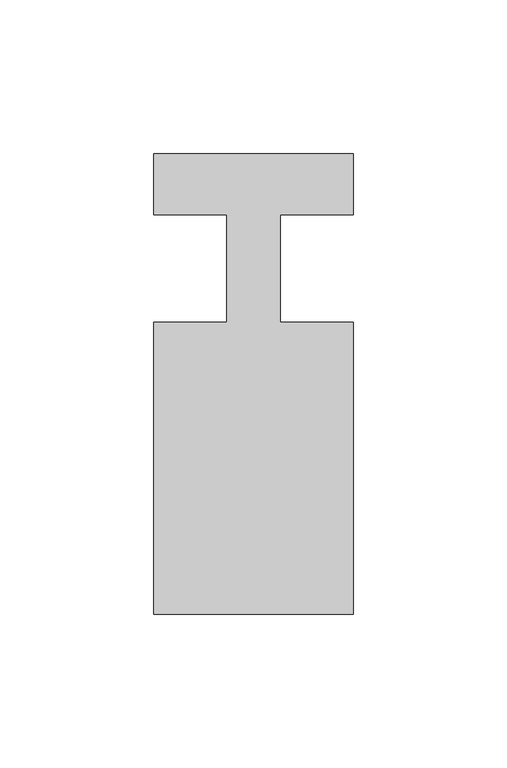
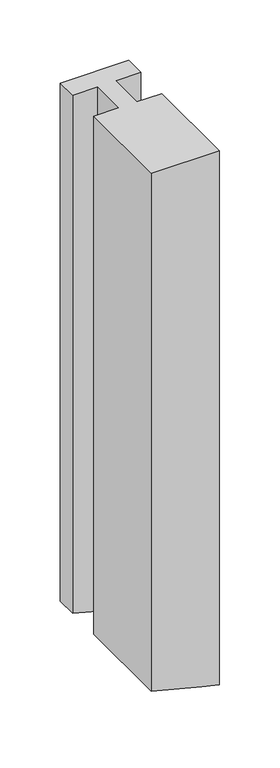
"""IFC4 building model written with IfcOpenShell, lengths in millimetres: member geometry."""

from ifc_helpers import new_model, si_unit, frame, origin, place, context, project, spatial, circle_curve, source, transform, mapped, element, save
from ifc_brep_helpers import plane_surface, cylinder_surface, advanced_brep


def member_babdedbd(model_context):
    return source(origin(), model_context, "Body", "AdvancedBrep", [
        advanced_brep(
        [(-32.5, 37.0, 0.0), (-32.5, 17.0, 0.0), (-8.6875, 17.0, 0.0), (-8.6875, -18.0, 0.0), (-32.5, -18.0, 0.0), (-32.5, -113.0, 0.0), (32.5, -113.0, 0.0), (32.5, -18.0, 0.0), (8.6875, -18.0, 0.0), (8.6875, 17.0, 0.0), (32.5, 17.0, 0.0), (32.5, 37.0, 0.0), (-32.5, 37.0, -522.7513146), (-32.5, 17.0, -522.7513146), (-8.6875, 17.0, -529.0744725), (-8.6875, -18.0, -529.0744725), (-32.5, -18.0, -522.7513146), (-32.5, -113.0, -522.7513146), (15.5188798, -113.0, -535.1848775), (32.5, -113.0, -539.2820644), (32.5, -18.0, -539.2820644), (15.5188798, -18.0, -535.1848775), (8.6875, -18.0, -533.4926663), (8.6875, 17.0, -533.4926663), (15.5188798, 17.0, -535.1848775), (32.5, 17.0, -539.2820644), (32.5, 37.0, -539.2820644), (15.5188798, 37.0, -535.1848775)],
        [
            (0, 1),
            (1, 2),
            (2, 3),
            (3, 4),
            (4, 5),
            (5, 6),
            (6, 7),
            (7, 8),
            (8, 9),
            (9, 10),
            (10, 11),
            (11, 0),
            (0, 12),
            (12, 13),
            (13, 1),
            (13, 14, circle_curve(frame((497.5, 17.0, 1425.1861711), z_axis=(0.0, -1.0, 0.0), x_axis=(-0.23875199738175804, 0.0, -0.9710805753109374)), 2018.7522008)),
            (14, 2),
            (14, 15),
            (15, 3),
            (15, 16, circle_curve(frame((497.5, -18.0, 1425.1861711), z_axis=(0.0, 1.0, 0.0), x_axis=(-0.23875199738175804, 0.0, -0.9710805753109374)), 2018.7522008)),
            (16, 4),
            (16, 17),
            (17, 5),
            (17, 18, circle_curve(frame((497.5, -113.0, 1425.1861711), z_axis=(0.0, -1.0, 0.0), x_axis=(-0.23875199738175804, 0.0, -0.9710805753109374)), 2018.7522008)),
            (18, 19, circle_curve(frame((497.5, -113.0, 1425.1861711), z_axis=(0.0, -1.0, 0.0), x_axis=(0.2459505500666989, 0.0, -0.9692823772884186)), 2018.7522008)),
            (19, 6),
            (19, 20),
            (20, 7),
            (20, 21, circle_curve(frame((497.5, -18.0, 1425.1861711), z_axis=(0.0, 1.0, 0.0), x_axis=(0.2459505500666989, 0.0, -0.9692823772884186)), 2018.7522008)),
            (21, 22, circle_curve(frame((497.5, -18.0, 1425.1861711), z_axis=(0.0, 1.0, 0.0), x_axis=(-0.23875199738175804, 0.0, -0.9710805753109374)), 2018.7522008)),
            (22, 8),
            (22, 23),
            (23, 9),
            (23, 24, circle_curve(frame((497.5, 17.0, 1425.1861711), z_axis=(0.0, -1.0, 0.0), x_axis=(-0.23875199738175804, 0.0, -0.9710805753109374)), 2018.7522008)),
            (24, 25, circle_curve(frame((497.5, 17.0, 1425.1861711), z_axis=(0.0, -1.0, 0.0), x_axis=(0.2459505500666989, 0.0, -0.9692823772884186)), 2018.7522008)),
            (25, 10),
            (25, 26),
            (26, 11),
            (26, 27, circle_curve(frame((497.5, 37.0, 1425.1861711), z_axis=(0.0, 1.0, 0.0), x_axis=(0.2459505500666989, 0.0, -0.9692823772884186)), 2018.7522008)),
            (27, 12, circle_curve(frame((497.5, 37.0, 1425.1861711), z_axis=(0.0, 1.0, 0.0), x_axis=(-0.23875199738175804, 0.0, -0.9710805753109374)), 2018.7522008)),
            (27, 24),
            (21, 18),
        ],
        [
            plane_surface(frame((0.0, -117.5808233, 0.0), z_axis=(0.0, 0.0, 1.0), x_axis=(-1.0, 0.0, 0.0))),
            plane_surface(frame((-32.5, 37.0, 0.0), z_axis=(-1.0, 0.0, 0.0), x_axis=(0.0, 0.0, -1.0))),
            plane_surface(frame((-32.5, 17.0, 0.0), z_axis=(0.0, -1.0, 0.0), x_axis=(0.0, 0.0, -1.0))),
            plane_surface(frame((-8.6875, 17.0, 0.0), z_axis=(-1.0, 0.0, 0.0), x_axis=(0.0, 0.0, -1.0))),
            plane_surface(frame((-8.6875, -18.0, 0.0), z_axis=(0.0, 1.0, 0.0), x_axis=(0.0, 0.0, -1.0))),
            plane_surface(frame((-32.5, -18.0, 0.0), z_axis=(-1.0, 0.0, 0.0), x_axis=(0.0, 0.0, -1.0))),
            plane_surface(frame((-32.5, -113.0, 0.0), z_axis=(0.0, -1.0, 0.0), x_axis=(0.0, 0.0, -1.0))),
            plane_surface(frame((32.5, -113.0, 0.0), z_axis=(1.0, 0.0, 0.0), x_axis=(0.0, 0.0, -1.0))),
            plane_surface(frame((32.5, -18.0, 0.0), z_axis=(0.0, 1.0, 0.0), x_axis=(0.0, 0.0, -1.0))),
            plane_surface(frame((8.6875, -18.0, 0.0), z_axis=(1.0, 0.0, 0.0), x_axis=(0.0, 0.0, -1.0))),
            plane_surface(frame((8.6875, 17.0, 0.0), z_axis=(0.0, -1.0, 0.0), x_axis=(0.0, 0.0, -1.0))),
            plane_surface(frame((32.5, 17.0, 0.0), z_axis=(1.0, 0.0, 0.0), x_axis=(0.0, 0.0, -1.0))),
            plane_surface(frame((32.5, 37.0, 0.0), z_axis=(0.0, 1.0, 0.0), x_axis=(0.0, 0.0, -1.0))),
            cylinder_surface(frame((497.5, 0.0, 1425.1861711), z_axis=(0.0, 1.0000000000000002, 0.0), x_axis=(-0.23875199738175804, 0.0, -0.9710805753109374)), 2018.7522008),
            cylinder_surface(frame((497.5, 0.0, 1425.1861711), z_axis=(0.0, 1.0, 0.0), x_axis=(0.2459505500666989, 0.0, -0.9692823772884186)), 2018.7522008),
        ],
        [
            (0, [[1, 2, 3, 4, 5, 6, 7, 8, 9, 10, 11, 12]]),
            (1, [[-1, 13, 14, 15]]),
            (2, [[-2, -15, 16, 17]]),
            (3, [[-3, -17, 18, 19]]),
            (4, [[-4, -19, 20, 21]]),
            (5, [[-5, -21, 22, 23]]),
            (6, [[-6, -23, 24, 25, 26]]),
            (7, [[-7, -26, 27, 28]]),
            (8, [[-8, -28, 29, 30, 31]]),
            (9, [[-9, -31, 32, 33]]),
            (10, [[-10, -33, 34, 35, 36]]),
            (11, [[-11, -36, 37, 38]]),
            (12, [[-12, -38, 39, 40, -13]]),
            (13, [[-40, 41, -34, -32, -30, 42, -24, -22, -20, -18, -16, -14]]),
            (14, [[-29, -27, -25, -42]]),
            (14, [[-39, -37, -35, -41]]),
        ],
    ),
    ])


if __name__ == "__main__":
    model = new_model("IFC4")
    model_context = context("Model", 3, world=origin())
    ifc_project = project(units=[si_unit("LENGTHUNIT", "METRE", prefix="MILLI")], contexts=[model_context])
    site = spatial("IfcSite", under=ifc_project)
    building = spatial("IfcBuilding", under=site)
    placement = place(None, origin())
    member_shape = member_babdedbd(model_context)
    element("IfcMember", 1, at=placement, inside=building, context=model_context, shape_type="MappedRepresentation", body=[
        mapped(member_shape, transform((0.0, 0.0, 0.0), x_axis=(1.0, 0.0, 0.0), y_axis=(0.0, 1.0, 0.0), z_axis=(0.0, 0.0, 1.0))),
    ])
    save(model, "model.ifc")
